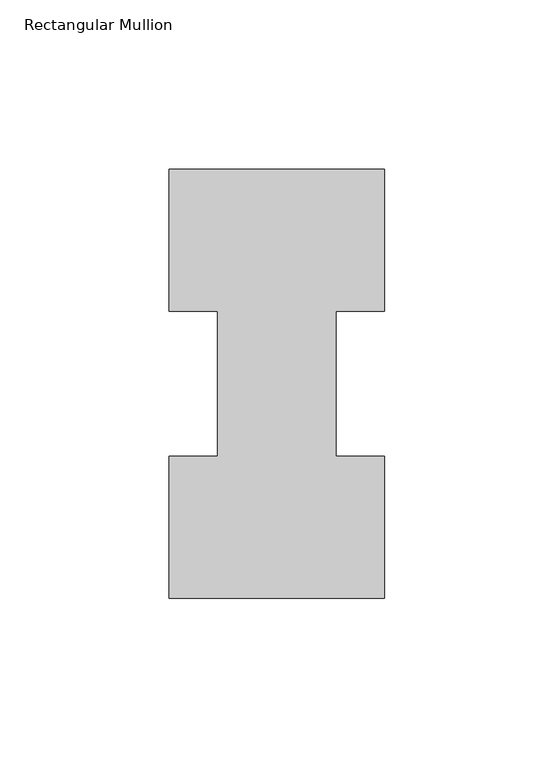
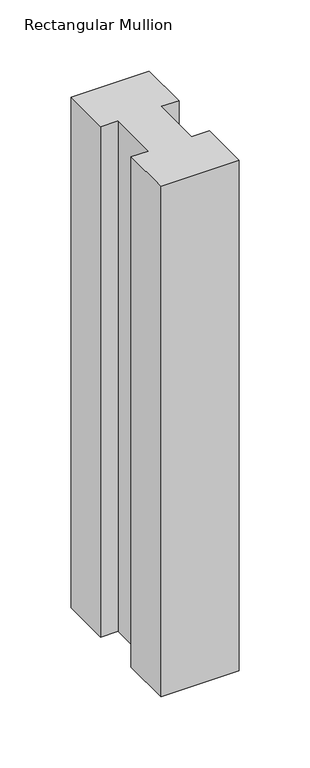
"""IFC4 building model written with IfcOpenShell, lengths in millimetres: member geometry, Rectangular Mullion."""

from ifc_helpers import new_model, si_unit, frame, origin, place, context, project, spatial, polyline, outline, extrude, source, transform, mapped, element, save


def rectangular_mullion_cac0c6cf(model_context):
    return source(origin(), model_context, "Body", "SweptSolid", [
        extrude(outline(polyline([(-63.5, 0.26035), (-63.5, 42.08145), (-49.2125, 42.08145), (-49.2125, 84.93125), (-63.5, 84.93125), (-63.5, 126.75235), (0.0, 126.75235), (0.0, 84.93125), (-14.2748, 84.93125), (-14.2748, 42.08145), (0.0, 42.08145), (0.0, 0.26035), (-63.5, 0.26035)])), frame((0.0, 0.0, -438.15), z_axis=(0.0, 0.0, 1.0), x_axis=(1.0, 0.0, 0.0)), (0.0, 0.0, 1.0), 438.15),
    ])


if __name__ == "__main__":
    model = new_model("IFC4")
    model_context = context("Model", 3, world=origin())
    ifc_project = project(units=[si_unit("LENGTHUNIT", "METRE", prefix="MILLI")], contexts=[model_context])
    site = spatial("IfcSite", under=ifc_project)
    building = spatial("IfcBuilding", under=site)
    placement = place(None, origin())
    rectangular_mullion_shape = rectangular_mullion_cac0c6cf(model_context)
    element("IfcMember", 1, ObjectType="Rectangular Mullion", at=placement, inside=building, context=model_context, shape_type="MappedRepresentation", body=[
        mapped(rectangular_mullion_shape, transform((0.0, 0.0, 0.0), x_axis=(1.0, 0.0, 0.0), y_axis=(0.0, 1.0, 0.0), z_axis=(0.0, 0.0, 1.0))),
    ])
    save(model, "model.ifc")
